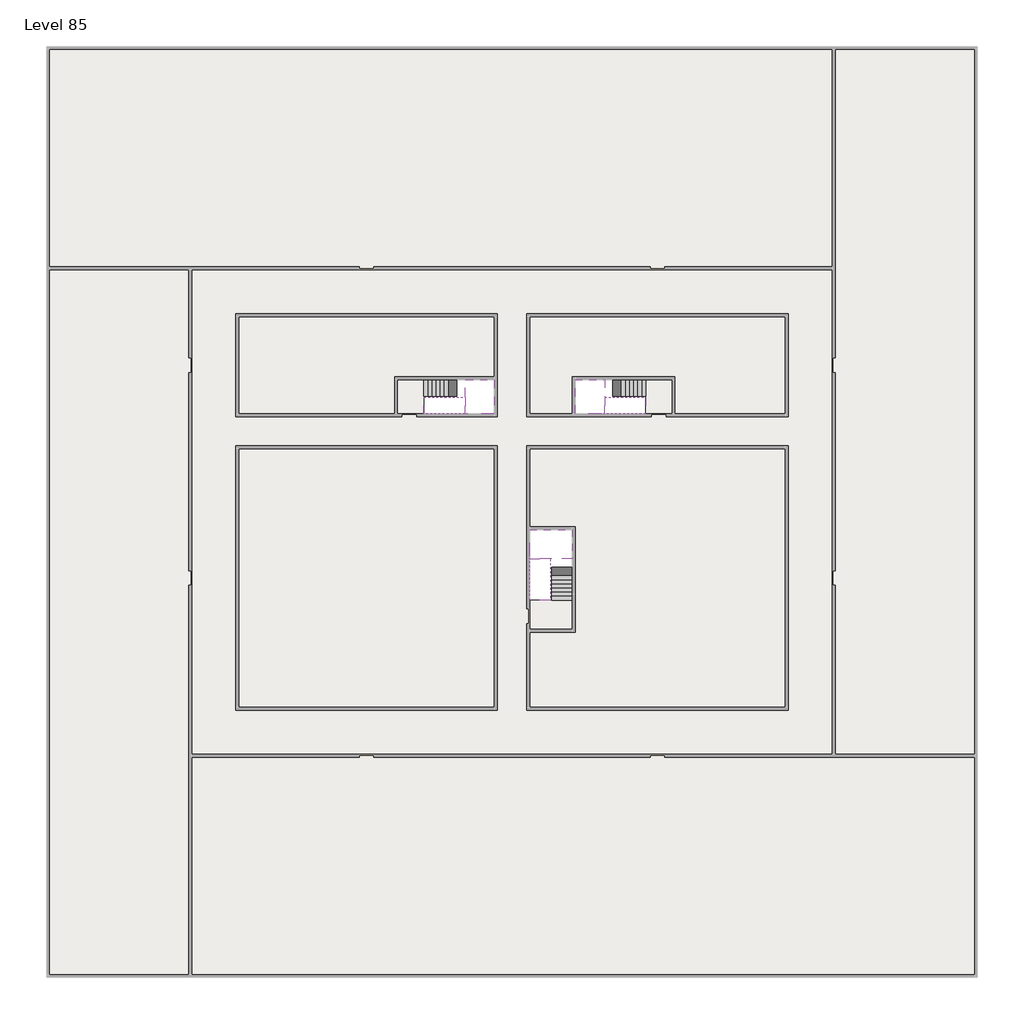
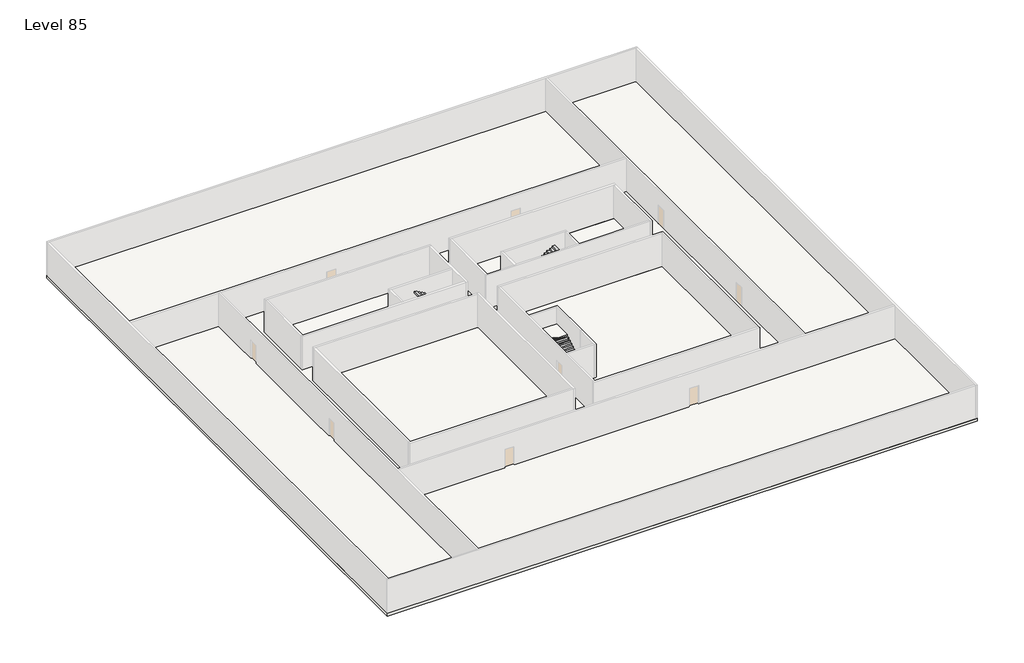
# One storey, part 2 of 2: 6 slabs, 6 stair flights.
"""IFC4 building model written with IfcOpenShell, lengths in millimetres."""

from ifc_helpers import new_model, si_unit, frame, origin, place, context, project, spatial, polyline, outline, extrude, faceted_brep, element, save

model = new_model("IFC4")

# Units and contexts
model_context = context("Model", 3, world=origin())
ifc_project = project(units=[si_unit("LENGTHUNIT", "METRE", prefix="MILLI")], contexts=[model_context])

# Site, building, storey
site = spatial("IfcSite", under=ifc_project)
building = spatial("IfcBuilding", under=site)
storey = spatial("IfcBuildingStorey", under=building, Name="Level 85", Elevation=319200.0)

# Slabs
placement = place(None, origin())
element("IfcSlab", 1, at=placement, inside=storey, context=model_context, shape_type="SweptSolid", body=[
    extrude(outline(polyline([(55890.1058784, -5518.09644), (55890.1058784, -68918.09644), (-7509.8941216, -68918.09644), (-7509.8941216, -5518.09644), (55890.1058784, -5518.09644)]), holes=[polyline([(22990.1058784, -23918.09644), (5590.1058784, -23918.09644), (5590.1058784, -30518.09644), (22990.1058784, -30518.09644), (22990.1058784, -23918.09644)]), polyline([(42990.1058784, -23918.09644), (25390.1058784, -23918.09644), (25390.1058784, -30518.09644), (42990.1058784, -30518.09644), (42990.1058784, -23918.09644)]), polyline([(25390.1058784, -50518.09644), (42790.1058784, -50518.09644), (42790.1058784, -32918.09644), (25390.1058784, -32918.09644), (25390.1058784, -50518.09644)]), polyline([(22990.1058784, -32918.09644), (5590.1058784, -32918.09644), (5590.1058784, -50518.09644), (22990.1058784, -50518.09644), (22990.1058784, -32918.09644)])]), frame((0.0, 0.0, 318900.0), z_axis=(0.0, 0.0, 1.0), x_axis=(1.0, 0.0, 0.0)), (0.0, 0.0, 1.0), 300.0),
])
element("IfcSlab", 2, at=placement, inside=storey, context=model_context, shape_type="SweptSolid", body=[
    extrude(outline(polyline([(22990.1058784, -23918.09644), (22990.1058784, -28018.09644), (16190.1058784, -28018.09644), (16190.1058784, -30518.09644), (5590.1058784, -30518.09644), (5590.1058784, -23918.09644), (22990.1058784, -23918.09644)])), frame((0.0, 0.0, 318900.0), z_axis=(0.0, 0.0, 1.0), x_axis=(1.0, 0.0, 0.0)), (0.0, 0.0, 1.0), 300.0),
    extrude(outline(polyline([(42790.1058784, -23918.09644), (42790.1058784, -30518.09644), (35290.1058784, -30518.09644), (35290.1058784, -28018.09644), (28490.1058784, -28018.09644), (28490.1058784, -30518.09644), (25390.1058784, -30518.09644), (25390.1058784, -23918.09644), (42790.1058784, -23918.09644)])), frame((0.0, 0.0, 318900.0), z_axis=(0.0, 0.0, 1.0), x_axis=(1.0, 0.0, 0.0)), (0.0, 0.0, 1.0), 300.0),
    extrude(outline(polyline([(22990.1058784, -32918.09644), (22990.1058784, -50518.09644), (5590.1058784, -50518.09644), (5590.1058784, -32918.09644), (22990.1058784, -32918.09644)])), frame((0.0, 0.0, 318900.0), z_axis=(0.0, 0.0, 1.0), x_axis=(1.0, 0.0, 0.0)), (0.0, 0.0, 1.0), 300.0),
    extrude(outline(polyline([(25390.1058784, -38218.09644), (25390.1058784, -32918.09644), (42790.1058784, -32918.09644), (42790.1058784, -50518.09644), (25390.1058784, -50518.09644), (25390.1058784, -45418.09644), (28490.1058784, -45418.09644), (28490.1058784, -38218.09644), (25390.1058784, -38218.09644)])), frame((0.0, 0.0, 318900.0), z_axis=(0.0, 0.0, 1.0), x_axis=(1.0, 0.0, 0.0)), (0.0, 0.0, 1.0), 300.0),
])
element("IfcSlab", 3, at=placement, inside=storey, context=model_context, shape_type="Brep", body=[
    faceted_brep([(26890.1058784, -40418.09644, 321100.0), (28290.1058784, -40418.09644, 321100.0), (28290.1058784, -40338.7100038, 321100.0), (28290.1058784, -38418.09644, 321100.0), (25390.1058784, -38418.09644, 321100.0), (25390.1058784, -40217.4828763, 321100.0), (25390.1058784, -40418.09644, 321100.0), (26790.1058784, -40418.09644, 321100.0), (26890.1058784, -40418.09644, 320800.0), (26890.1058784, -40418.09644, 320751.0278478), (28290.1058784, -40418.09644, 320751.0278478), (28290.1058784, -40418.09644, 320927.2727273), (28290.1058784, -40338.7100038, 320800.0), (28290.1058784, -38418.09644, 320800.0), (25390.1058784, -38418.09644, 320800.0), (25390.1058784, -40217.4828763, 320800.0), (25390.1058784, -40418.09644, 320923.7551205), (26790.1058784, -40418.09644, 320923.7551205), (26790.1058784, -40418.09644, 320800.0), (26790.1058784, -40217.4828763, 320800.0), (26890.1058784, -40338.7100038, 320800.0)], [[[0, 1, 2, 3, 4, 5, 6, 7]], [[1, 0, 8, 9, 10, 11]], [[1, 11, 10, 12, 13, 3, 2]], [[4, 3, 13, 14]], [[4, 14, 15, 16, 6, 5]], [[7, 6, 16, 17]], [[0, 7, 17, 18, 8]], [[18, 19, 15, 14, 13, 12, 20, 8]], [[19, 18, 17]], [[20, 12, 10, 9]], [[8, 20, 9]], [[15, 19, 17, 16]]]),
])
element("IfcSlab", 4, at=placement, inside=storey, context=model_context, shape_type="Brep", body=[
    faceted_brep([(20990.1058784, -28218.09644, 321100.0), (20990.1058784, -29318.09644, 321100.0), (20990.1058784, -29418.09644, 321100.0), (20990.1058784, -30518.09644, 321100.0), (21190.7194421, -30518.09644, 321100.0), (22990.1058784, -30518.09644, 321100.0), (22990.1058784, -28218.09644, 321100.0), (21069.4923146, -28218.09644, 321100.0), (20990.1058784, -28218.09644, 320927.2727273), (20990.1058784, -28218.09644, 320751.0278478), (20990.1058784, -29318.09644, 320751.0278478), (20990.1058784, -29318.09644, 320800.0), (20990.1058784, -29418.09644, 320800.0), (20990.1058784, -29418.09644, 320923.7551205), (20990.1058784, -30518.09644, 320923.7551205), (21190.7194421, -30518.09644, 320800.0), (22990.1058784, -30518.09644, 320800.0), (22990.1058784, -28218.09644, 320800.0), (21069.4923146, -28218.09644, 320800.0), (21190.7194421, -29418.09644, 320800.0), (21069.4923146, -29318.09644, 320800.0)], [[[0, 1, 2, 3, 4, 5, 6, 7]], [[1, 0, 8, 9, 10, 11]], [[2, 1, 11, 12, 13]], [[3, 2, 13, 14]], [[3, 14, 15, 16, 5, 4]], [[6, 5, 16, 17]], [[9, 8, 0, 7, 6, 17, 18]], [[19, 12, 11, 20, 18, 17, 16, 15]], [[12, 19, 13]], [[18, 20, 10, 9]], [[20, 11, 10]], [[19, 15, 14, 13]]]),
])
element("IfcSlab", 5, at=placement, inside=storey, context=model_context, shape_type="Brep", body=[
    faceted_brep([(30490.1058784, -29318.09644, 321100.0), (30490.1058784, -28218.09644, 321100.0), (30410.7194421, -28218.09644, 321100.0), (28490.1058784, -28218.09644, 321100.0), (28490.1058784, -30518.09644, 321100.0), (30289.4923146, -30518.09644, 321100.0), (30490.1058784, -30518.09644, 321100.0), (30490.1058784, -29418.09644, 321100.0), (30490.1058784, -29318.09644, 320800.0), (30490.1058784, -29318.09644, 320751.0278478), (30490.1058784, -28218.09644, 320751.0278478), (30490.1058784, -28218.09644, 320927.2727273), (30490.1058784, -29418.09644, 320923.7551205), (30490.1058784, -29418.09644, 320800.0), (30490.1058784, -30518.09644, 320923.7551205), (28490.1058784, -30518.09644, 320800.0), (30289.4923146, -30518.09644, 320800.0), (28490.1058784, -28218.09644, 320800.0), (30410.7194421, -28218.09644, 320800.0), (30289.4923146, -29418.09644, 320800.0), (30410.7194421, -29318.09644, 320800.0)], [[[0, 1, 2, 3, 4, 5, 6, 7]], [[1, 0, 8, 9, 10, 11]], [[0, 7, 12, 13, 8]], [[7, 6, 14, 12]], [[4, 15, 16, 14, 6, 5]], [[4, 3, 17, 15]], [[1, 11, 10, 18, 17, 3, 2]], [[13, 19, 16, 15, 17, 18, 20, 8]], [[20, 18, 10, 9]], [[8, 20, 9]], [[16, 19, 12, 14]], [[19, 13, 12]]]),
])
element("IfcSlab", 6, at=placement, inside=storey, context=model_context, shape_type="SweptSolid", body=[
    extrude(outline(polyline([(35090.1058784, -28218.09644), (35090.1058784, -30518.09644), (33290.1058784, -30518.09644), (33290.1058784, -28218.09644), (35090.1058784, -28218.09644)])), frame((0.0, 0.0, 318900.0), z_axis=(0.0, 0.0, 1.0), x_axis=(1.0, 0.0, 0.0)), (0.0, 0.0, 1.0), 300.0),
    extrude(outline(polyline([(18190.1058784, -28218.09644), (18190.1058784, -30518.09644), (16390.1058784, -30518.09644), (16390.1058784, -28218.09644), (18190.1058784, -28218.09644)])), frame((0.0, 0.0, 318900.0), z_axis=(0.0, 0.0, 1.0), x_axis=(1.0, 0.0, 0.0)), (0.0, 0.0, 1.0), 300.0),
    extrude(outline(polyline([(28290.1058784, -43218.09644), (28290.1058784, -45218.09644), (25390.1058784, -45218.09644), (25390.1058784, -43218.09644), (28290.1058784, -43218.09644)])), frame((0.0, 0.0, 318900.0), z_axis=(0.0, 0.0, 1.0), x_axis=(1.0, 0.0, 0.0)), (0.0, 0.0, 1.0), 300.0),
])

# Stair flights
element("IfcStairFlight", 7, at=placement, inside=storey, context=model_context, shape_type="Brep", body=[
    faceted_brep([(26890.1058784, -42938.09644, 319372.7272727), (26890.1058784, -43218.09644, 319372.7272727), (28290.1058784, -43218.09644, 319372.7272727), (28290.1058784, -42938.09644, 319372.7272727), (26890.1058784, -42938.09644, 319200.0), (26890.1058784, -43218.09644, 319200.0), (28290.1058784, -43218.09644, 319200.0), (28290.1058784, -42938.09644, 319200.0), (26890.1058784, -42658.09644, 319545.4545455), (26890.1058784, -42938.09644, 319545.4545455), (28290.1058784, -42938.09644, 319545.4545455), (28290.1058784, -42658.09644, 319545.4545455), (26890.1058784, -42658.09644, 319369.209666), (26890.1058784, -42932.3942143, 319200.0), (28290.1058784, -42932.3942143, 319200.0), (28290.1058784, -42658.09644, 319369.209666), (26890.1058784, -42378.09644, 319718.1818182), (26890.1058784, -42658.09644, 319718.1818182), (28290.1058784, -42658.09644, 319718.1818182), (28290.1058784, -42378.09644, 319718.1818182), (26890.1058784, -42378.09644, 319541.9369387), (28290.1058784, -42378.09644, 319541.9369387), (26890.1058784, -42098.09644, 319890.9090909), (26890.1058784, -42378.09644, 319890.9090909), (28290.1058784, -42378.09644, 319890.9090909), (28290.1058784, -42098.09644, 319890.9090909), (26890.1058784, -42098.09644, 319714.6642114), (28290.1058784, -42098.09644, 319714.6642114), (26890.1058784, -41818.09644, 320063.6363636), (26890.1058784, -42098.09644, 320063.6363636), (28290.1058784, -42098.09644, 320063.6363636), (28290.1058784, -41818.09644, 320063.6363636), (26890.1058784, -41818.09644, 319887.3914841), (28290.1058784, -41818.09644, 319887.3914841), (26890.1058784, -41538.09644, 320236.3636364), (26890.1058784, -41818.09644, 320236.3636364), (28290.1058784, -41818.09644, 320236.3636364), (28290.1058784, -41538.09644, 320236.3636364), (26890.1058784, -41538.09644, 320060.1187569), (28290.1058784, -41538.09644, 320060.1187569), (26890.1058784, -41258.09644, 320409.0909091), (26890.1058784, -41538.09644, 320409.0909091), (28290.1058784, -41538.09644, 320409.0909091), (28290.1058784, -41258.09644, 320409.0909091), (26890.1058784, -41258.09644, 320232.8460296), (28290.1058784, -41258.09644, 320232.8460296), (26890.1058784, -40978.09644, 320581.8181818), (26890.1058784, -41258.09644, 320581.8181818), (28290.1058784, -41258.09644, 320581.8181818), (28290.1058784, -40978.09644, 320581.8181818), (26890.1058784, -40978.09644, 320405.5733023), (28290.1058784, -40978.09644, 320405.5733023), (26890.1058784, -40698.09644, 320754.5454545), (26890.1058784, -40978.09644, 320754.5454545), (28290.1058784, -40978.09644, 320754.5454545), (28290.1058784, -40698.09644, 320754.5454545), (26890.1058784, -40698.09644, 320578.3005751), (28290.1058784, -40698.09644, 320578.3005751), (26890.1058784, -40418.09644, 320927.2727273), (26890.1058784, -40698.09644, 320927.2727273), (28290.1058784, -40698.09644, 320927.2727273), (28290.1058784, -40418.09644, 320927.2727273), (26890.1058784, -40418.09644, 320800.0), (26890.1058784, -40418.09644, 320751.0278478), (28290.1058784, -40418.09644, 320751.0278478)], [[[0, 1, 2, 3]], [[1, 0, 4, 5]], [[2, 1, 5, 6]], [[3, 2, 6, 7]], [[8, 9, 10, 11]], [[4, 0, 9, 8, 12, 13]], [[0, 3, 10, 9]], [[3, 7, 14, 15, 11, 10]], [[16, 17, 18, 19]], [[17, 16, 20, 12, 8]], [[8, 11, 18, 17]], [[19, 18, 11, 15, 21]], [[22, 23, 24, 25]], [[23, 22, 26, 20, 16]], [[16, 19, 24, 23]], [[25, 24, 19, 21, 27]], [[28, 29, 30, 31]], [[29, 28, 32, 26, 22]], [[22, 25, 30, 29]], [[31, 30, 25, 27, 33]], [[34, 35, 36, 37]], [[35, 34, 38, 32, 28]], [[28, 31, 36, 35]], [[37, 36, 31, 33, 39]], [[40, 41, 42, 43]], [[41, 40, 44, 38, 34]], [[34, 37, 42, 41]], [[43, 42, 37, 39, 45]], [[46, 47, 48, 49]], [[47, 46, 50, 44, 40]], [[40, 43, 48, 47]], [[49, 48, 43, 45, 51]], [[52, 53, 54, 55]], [[53, 52, 56, 50, 46]], [[46, 49, 54, 53]], [[55, 54, 49, 51, 57]], [[58, 59, 60, 61]], [[59, 58, 62, 63, 56, 52]], [[52, 55, 60, 59]], [[61, 60, 55, 57, 64]], [[58, 61, 64, 63, 62]], [[5, 4, 13, 14, 7, 6]], [[14, 13, 12, 20, 26, 32, 38, 44, 50, 56, 63, 64, 57, 51, 45, 39, 33, 27, 21, 15]]]),
])
element("IfcStairFlight", 8, at=placement, inside=storey, context=model_context, shape_type="Brep", body=[
    faceted_brep([(26790.1058784, -40698.09644, 321272.7272727), (26790.1058784, -40418.09644, 321272.7272727), (25390.1058784, -40418.09644, 321272.7272727), (25390.1058784, -40698.09644, 321272.7272727), (26790.1058784, -40698.09644, 321096.4823932), (26790.1058784, -40418.09644, 320923.7551205), (25390.1058784, -40418.09644, 320923.7551205), (25390.1058784, -40418.09644, 321100.0), (25390.1058784, -40698.09644, 321096.4823932), (26790.1058784, -40978.09644, 321445.4545455), (26790.1058784, -40698.09644, 321445.4545455), (25390.1058784, -40698.09644, 321445.4545455), (25390.1058784, -40978.09644, 321445.4545455), (26790.1058784, -40978.09644, 321269.209666), (25390.1058784, -40978.09644, 321269.209666), (26790.1058784, -41258.09644, 321618.1818182), (26790.1058784, -40978.09644, 321618.1818182), (25390.1058784, -40978.09644, 321618.1818182), (25390.1058784, -41258.09644, 321618.1818182), (26790.1058784, -41258.09644, 321441.9369387), (25390.1058784, -41258.09644, 321441.9369387), (26790.1058784, -41538.09644, 321790.9090909), (26790.1058784, -41258.09644, 321790.9090909), (25390.1058784, -41258.09644, 321790.9090909), (25390.1058784, -41538.09644, 321790.9090909), (26790.1058784, -41538.09644, 321614.6642114), (25390.1058784, -41538.09644, 321614.6642114), (26790.1058784, -41818.09644, 321963.6363636), (26790.1058784, -41538.09644, 321963.6363636), (25390.1058784, -41538.09644, 321963.6363636), (25390.1058784, -41818.09644, 321963.6363636), (26790.1058784, -41818.09644, 321787.3914841), (25390.1058784, -41818.09644, 321787.3914841), (26790.1058784, -42098.09644, 322136.3636364), (26790.1058784, -41818.09644, 322136.3636364), (25390.1058784, -41818.09644, 322136.3636364), (25390.1058784, -42098.09644, 322136.3636364), (26790.1058784, -42098.09644, 321960.1187569), (25390.1058784, -42098.09644, 321960.1187569), (26790.1058784, -42378.09644, 322309.0909091), (26790.1058784, -42098.09644, 322309.0909091), (25390.1058784, -42098.09644, 322309.0909091), (25390.1058784, -42378.09644, 322309.0909091), (26790.1058784, -42378.09644, 322132.8460296), (25390.1058784, -42378.09644, 322132.8460296), (26790.1058784, -42658.09644, 322481.8181818), (26790.1058784, -42378.09644, 322481.8181818), (25390.1058784, -42378.09644, 322481.8181818), (25390.1058784, -42658.09644, 322481.8181818), (26790.1058784, -42658.09644, 322305.5733023), (25390.1058784, -42658.09644, 322305.5733023), (26790.1058784, -42938.09644, 322654.5454545), (26790.1058784, -42658.09644, 322654.5454545), (25390.1058784, -42658.09644, 322654.5454545), (25390.1058784, -42938.09644, 322654.5454545), (26790.1058784, -42938.09644, 322478.3005751), (25390.1058784, -42938.09644, 322478.3005751), (26790.1058784, -43218.09644, 322827.2727273), (26790.1058784, -42938.09644, 322827.2727273), (25390.1058784, -42938.09644, 322827.2727273), (25390.1058784, -43218.09644, 322827.2727273), (26790.1058784, -43218.09644, 322651.0278478), (25390.1058784, -43218.09644, 322651.0278478)], [[[0, 1, 2, 3]], [[1, 0, 4, 5]], [[2, 1, 5, 6, 7]], [[3, 2, 7, 6, 8]], [[9, 10, 11, 12]], [[10, 9, 13, 4, 0]], [[11, 10, 0, 3]], [[12, 11, 3, 8, 14]], [[15, 16, 17, 18]], [[16, 15, 19, 13, 9]], [[17, 16, 9, 12]], [[18, 17, 12, 14, 20]], [[21, 22, 23, 24]], [[22, 21, 25, 19, 15]], [[23, 22, 15, 18]], [[24, 23, 18, 20, 26]], [[27, 28, 29, 30]], [[28, 27, 31, 25, 21]], [[29, 28, 21, 24]], [[30, 29, 24, 26, 32]], [[33, 34, 35, 36]], [[34, 33, 37, 31, 27]], [[35, 34, 27, 30]], [[36, 35, 30, 32, 38]], [[39, 40, 41, 42]], [[40, 39, 43, 37, 33]], [[41, 40, 33, 36]], [[42, 41, 36, 38, 44]], [[45, 46, 47, 48]], [[46, 45, 49, 43, 39]], [[47, 46, 39, 42]], [[48, 47, 42, 44, 50]], [[51, 52, 53, 54]], [[52, 51, 55, 49, 45]], [[53, 52, 45, 48]], [[54, 53, 48, 50, 56]], [[57, 58, 59, 60]], [[58, 57, 61, 55, 51]], [[59, 58, 51, 54]], [[60, 59, 54, 56, 62]], [[57, 60, 62, 61]], [[5, 4, 13, 19, 25, 31, 37, 43, 49, 55, 61, 62, 56, 50, 44, 38, 32, 26, 20, 14, 8, 6]]]),
])
element("IfcStairFlight", 9, at=placement, inside=storey, context=model_context, shape_type="Brep", body=[
    faceted_brep([(18470.1058784, -28218.09644, 319372.7272727), (18190.1058784, -28218.09644, 319372.7272727), (18190.1058784, -29318.09644, 319372.7272727), (18470.1058784, -29318.09644, 319372.7272727), (18470.1058784, -28218.09644, 319200.0), (18190.1058784, -28218.09644, 319200.0), (18190.1058784, -29318.09644, 319200.0), (18470.1058784, -29318.09644, 319200.0), (18750.1058784, -28218.09644, 319545.4545455), (18470.1058784, -28218.09644, 319545.4545455), (18470.1058784, -29318.09644, 319545.4545455), (18750.1058784, -29318.09644, 319545.4545455), (18750.1058784, -28218.09644, 319369.209666), (18475.8081041, -28218.09644, 319200.0), (18475.8081041, -29318.09644, 319200.0), (18750.1058784, -29318.09644, 319369.209666), (19030.1058784, -28218.09644, 319718.1818182), (18750.1058784, -28218.09644, 319718.1818182), (18750.1058784, -29318.09644, 319718.1818182), (19030.1058784, -29318.09644, 319718.1818182), (19030.1058784, -28218.09644, 319541.9369387), (19030.1058784, -29318.09644, 319541.9369387), (19310.1058784, -28218.09644, 319890.9090909), (19030.1058784, -28218.09644, 319890.9090909), (19030.1058784, -29318.09644, 319890.9090909), (19310.1058784, -29318.09644, 319890.9090909), (19310.1058784, -28218.09644, 319714.6642114), (19310.1058784, -29318.09644, 319714.6642114), (19590.1058784, -28218.09644, 320063.6363636), (19310.1058784, -28218.09644, 320063.6363636), (19310.1058784, -29318.09644, 320063.6363636), (19590.1058784, -29318.09644, 320063.6363636), (19590.1058784, -28218.09644, 319887.3914841), (19590.1058784, -29318.09644, 319887.3914841), (19870.1058784, -28218.09644, 320236.3636364), (19590.1058784, -28218.09644, 320236.3636364), (19590.1058784, -29318.09644, 320236.3636364), (19870.1058784, -29318.09644, 320236.3636364), (19870.1058784, -28218.09644, 320060.1187569), (19870.1058784, -29318.09644, 320060.1187569), (20150.1058784, -28218.09644, 320409.0909091), (19870.1058784, -28218.09644, 320409.0909091), (19870.1058784, -29318.09644, 320409.0909091), (20150.1058784, -29318.09644, 320409.0909091), (20150.1058784, -28218.09644, 320232.8460296), (20150.1058784, -29318.09644, 320232.8460296), (20430.1058784, -28218.09644, 320581.8181818), (20150.1058784, -28218.09644, 320581.8181818), (20150.1058784, -29318.09644, 320581.8181818), (20430.1058784, -29318.09644, 320581.8181818), (20430.1058784, -28218.09644, 320405.5733023), (20430.1058784, -29318.09644, 320405.5733023), (20710.1058784, -28218.09644, 320754.5454545), (20430.1058784, -28218.09644, 320754.5454545), (20430.1058784, -29318.09644, 320754.5454545), (20710.1058784, -29318.09644, 320754.5454545), (20710.1058784, -28218.09644, 320578.3005751), (20710.1058784, -29318.09644, 320578.3005751), (20990.1058784, -28218.09644, 320927.2727273), (20710.1058784, -28218.09644, 320927.2727273), (20710.1058784, -29318.09644, 320927.2727273), (20990.1058784, -29318.09644, 320927.2727273), (20990.1058784, -28218.09644, 320751.0278478), (20990.1058784, -29318.09644, 320751.0278478), (20990.1058784, -29318.09644, 320800.0)], [[[0, 1, 2, 3]], [[1, 0, 4, 5]], [[2, 1, 5, 6]], [[3, 2, 6, 7]], [[8, 9, 10, 11]], [[4, 0, 9, 8, 12, 13]], [[0, 3, 10, 9]], [[3, 7, 14, 15, 11, 10]], [[16, 17, 18, 19]], [[17, 16, 20, 12, 8]], [[8, 11, 18, 17]], [[19, 18, 11, 15, 21]], [[22, 23, 24, 25]], [[23, 22, 26, 20, 16]], [[16, 19, 24, 23]], [[25, 24, 19, 21, 27]], [[28, 29, 30, 31]], [[29, 28, 32, 26, 22]], [[22, 25, 30, 29]], [[31, 30, 25, 27, 33]], [[34, 35, 36, 37]], [[35, 34, 38, 32, 28]], [[28, 31, 36, 35]], [[37, 36, 31, 33, 39]], [[40, 41, 42, 43]], [[41, 40, 44, 38, 34]], [[34, 37, 42, 41]], [[43, 42, 37, 39, 45]], [[46, 47, 48, 49]], [[47, 46, 50, 44, 40]], [[40, 43, 48, 47]], [[49, 48, 43, 45, 51]], [[52, 53, 54, 55]], [[53, 52, 56, 50, 46]], [[46, 49, 54, 53]], [[55, 54, 49, 51, 57]], [[58, 59, 60, 61]], [[59, 58, 62, 56, 52]], [[52, 55, 60, 59]], [[61, 60, 55, 57, 63, 64]], [[58, 61, 64, 63, 62]], [[5, 4, 13, 14, 7, 6]], [[14, 13, 12, 20, 26, 32, 38, 44, 50, 56, 62, 63, 57, 51, 45, 39, 33, 27, 21, 15]]]),
])
element("IfcStairFlight", 10, at=placement, inside=storey, context=model_context, shape_type="Brep", body=[
    faceted_brep([(20710.1058784, -30518.09644, 321272.7272727), (20990.1058784, -30518.09644, 321272.7272727), (20990.1058784, -29418.09644, 321272.7272727), (20710.1058784, -29418.09644, 321272.7272727), (20710.1058784, -30518.09644, 321096.4823932), (20990.1058784, -30518.09644, 320923.7551205), (20990.1058784, -30518.09644, 321100.0), (20990.1058784, -29418.09644, 320923.7551205), (20710.1058784, -29418.09644, 321096.4823932), (20430.1058784, -30518.09644, 321445.4545455), (20710.1058784, -30518.09644, 321445.4545455), (20710.1058784, -29418.09644, 321445.4545455), (20430.1058784, -29418.09644, 321445.4545455), (20430.1058784, -30518.09644, 321269.209666), (20430.1058784, -29418.09644, 321269.209666), (20150.1058784, -30518.09644, 321618.1818182), (20430.1058784, -30518.09644, 321618.1818182), (20430.1058784, -29418.09644, 321618.1818182), (20150.1058784, -29418.09644, 321618.1818182), (20150.1058784, -30518.09644, 321441.9369387), (20150.1058784, -29418.09644, 321441.9369387), (19870.1058784, -30518.09644, 321790.9090909), (20150.1058784, -30518.09644, 321790.9090909), (20150.1058784, -29418.09644, 321790.9090909), (19870.1058784, -29418.09644, 321790.9090909), (19870.1058784, -30518.09644, 321614.6642114), (19870.1058784, -29418.09644, 321614.6642114), (19590.1058784, -30518.09644, 321963.6363636), (19870.1058784, -30518.09644, 321963.6363636), (19870.1058784, -29418.09644, 321963.6363636), (19590.1058784, -29418.09644, 321963.6363636), (19590.1058784, -30518.09644, 321787.3914841), (19590.1058784, -29418.09644, 321787.3914841), (19310.1058784, -30518.09644, 322136.3636364), (19590.1058784, -30518.09644, 322136.3636364), (19590.1058784, -29418.09644, 322136.3636364), (19310.1058784, -29418.09644, 322136.3636364), (19310.1058784, -30518.09644, 321960.1187569), (19310.1058784, -29418.09644, 321960.1187569), (19030.1058784, -30518.09644, 322309.0909091), (19310.1058784, -30518.09644, 322309.0909091), (19310.1058784, -29418.09644, 322309.0909091), (19030.1058784, -29418.09644, 322309.0909091), (19030.1058784, -30518.09644, 322132.8460296), (19030.1058784, -29418.09644, 322132.8460296), (18750.1058784, -30518.09644, 322481.8181818), (19030.1058784, -30518.09644, 322481.8181818), (19030.1058784, -29418.09644, 322481.8181818), (18750.1058784, -29418.09644, 322481.8181818), (18750.1058784, -30518.09644, 322305.5733023), (18750.1058784, -29418.09644, 322305.5733023), (18470.1058784, -30518.09644, 322654.5454545), (18750.1058784, -30518.09644, 322654.5454545), (18750.1058784, -29418.09644, 322654.5454545), (18470.1058784, -29418.09644, 322654.5454545), (18470.1058784, -30518.09644, 322478.3005751), (18470.1058784, -29418.09644, 322478.3005751), (18190.1058784, -30518.09644, 322827.2727273), (18470.1058784, -30518.09644, 322827.2727273), (18470.1058784, -29418.09644, 322827.2727273), (18190.1058784, -29418.09644, 322827.2727273), (18190.1058784, -30518.09644, 322651.0278478), (18190.1058784, -29418.09644, 322651.0278478)], [[[0, 1, 2, 3]], [[1, 0, 4, 5, 6]], [[2, 1, 6, 5, 7]], [[3, 2, 7, 8]], [[9, 10, 11, 12]], [[10, 9, 13, 4, 0]], [[11, 10, 0, 3]], [[12, 11, 3, 8, 14]], [[15, 16, 17, 18]], [[16, 15, 19, 13, 9]], [[17, 16, 9, 12]], [[18, 17, 12, 14, 20]], [[21, 22, 23, 24]], [[22, 21, 25, 19, 15]], [[23, 22, 15, 18]], [[24, 23, 18, 20, 26]], [[27, 28, 29, 30]], [[28, 27, 31, 25, 21]], [[29, 28, 21, 24]], [[30, 29, 24, 26, 32]], [[33, 34, 35, 36]], [[34, 33, 37, 31, 27]], [[35, 34, 27, 30]], [[36, 35, 30, 32, 38]], [[39, 40, 41, 42]], [[40, 39, 43, 37, 33]], [[41, 40, 33, 36]], [[42, 41, 36, 38, 44]], [[45, 46, 47, 48]], [[46, 45, 49, 43, 39]], [[47, 46, 39, 42]], [[48, 47, 42, 44, 50]], [[51, 52, 53, 54]], [[52, 51, 55, 49, 45]], [[53, 52, 45, 48]], [[54, 53, 48, 50, 56]], [[57, 58, 59, 60]], [[58, 57, 61, 55, 51]], [[59, 58, 51, 54]], [[60, 59, 54, 56, 62]], [[57, 60, 62, 61]], [[5, 4, 13, 19, 25, 31, 37, 43, 49, 55, 61, 62, 56, 50, 44, 38, 32, 26, 20, 14, 8, 7]]]),
])
element("IfcStairFlight", 11, at=placement, inside=storey, context=model_context, shape_type="Brep", body=[
    faceted_brep([(33010.1058784, -29318.09644, 319372.7272727), (33290.1058784, -29318.09644, 319372.7272727), (33290.1058784, -28218.09644, 319372.7272727), (33010.1058784, -28218.09644, 319372.7272727), (33290.1058784, -28218.09644, 319200.0), (33010.1058784, -28218.09644, 319200.0), (33290.1058784, -29318.09644, 319200.0), (33010.1058784, -29318.09644, 319200.0), (32730.1058784, -29318.09644, 319545.4545455), (33010.1058784, -29318.09644, 319545.4545455), (33010.1058784, -28218.09644, 319545.4545455), (32730.1058784, -28218.09644, 319545.4545455), (33004.4036527, -28218.09644, 319200.0), (32730.1058784, -28218.09644, 319369.209666), (32730.1058784, -29318.09644, 319369.209666), (33004.4036527, -29318.09644, 319200.0), (32450.1058784, -29318.09644, 319718.1818182), (32730.1058784, -29318.09644, 319718.1818182), (32730.1058784, -28218.09644, 319718.1818182), (32450.1058784, -28218.09644, 319718.1818182), (32450.1058784, -28218.09644, 319541.9369387), (32450.1058784, -29318.09644, 319541.9369387), (32170.1058784, -29318.09644, 319890.9090909), (32450.1058784, -29318.09644, 319890.9090909), (32450.1058784, -28218.09644, 319890.9090909), (32170.1058784, -28218.09644, 319890.9090909), (32170.1058784, -28218.09644, 319714.6642114), (32170.1058784, -29318.09644, 319714.6642114), (31890.1058784, -29318.09644, 320063.6363636), (32170.1058784, -29318.09644, 320063.6363636), (32170.1058784, -28218.09644, 320063.6363636), (31890.1058784, -28218.09644, 320063.6363636), (31890.1058784, -28218.09644, 319887.3914841), (31890.1058784, -29318.09644, 319887.3914841), (31610.1058784, -29318.09644, 320236.3636364), (31890.1058784, -29318.09644, 320236.3636364), (31890.1058784, -28218.09644, 320236.3636364), (31610.1058784, -28218.09644, 320236.3636364), (31610.1058784, -28218.09644, 320060.1187569), (31610.1058784, -29318.09644, 320060.1187569), (31330.1058784, -29318.09644, 320409.0909091), (31610.1058784, -29318.09644, 320409.0909091), (31610.1058784, -28218.09644, 320409.0909091), (31330.1058784, -28218.09644, 320409.0909091), (31330.1058784, -28218.09644, 320232.8460296), (31330.1058784, -29318.09644, 320232.8460296), (31050.1058784, -29318.09644, 320581.8181818), (31330.1058784, -29318.09644, 320581.8181818), (31330.1058784, -28218.09644, 320581.8181818), (31050.1058784, -28218.09644, 320581.8181818), (31050.1058784, -28218.09644, 320405.5733023), (31050.1058784, -29318.09644, 320405.5733023), (30770.1058784, -29318.09644, 320754.5454545), (31050.1058784, -29318.09644, 320754.5454545), (31050.1058784, -28218.09644, 320754.5454545), (30770.1058784, -28218.09644, 320754.5454545), (30770.1058784, -28218.09644, 320578.3005751), (30770.1058784, -29318.09644, 320578.3005751), (30490.1058784, -29318.09644, 320927.2727273), (30770.1058784, -29318.09644, 320927.2727273), (30770.1058784, -28218.09644, 320927.2727273), (30490.1058784, -28218.09644, 320927.2727273), (30490.1058784, -28218.09644, 320751.0278478), (30490.1058784, -29318.09644, 320800.0), (30490.1058784, -29318.09644, 320751.0278478)], [[[0, 1, 2, 3]], [[3, 2, 4, 5]], [[2, 1, 6, 4]], [[1, 0, 7, 6]], [[8, 9, 10, 11]], [[3, 5, 12, 13, 11, 10]], [[0, 3, 10, 9]], [[7, 0, 9, 8, 14, 15]], [[16, 17, 18, 19]], [[19, 18, 11, 13, 20]], [[8, 11, 18, 17]], [[17, 16, 21, 14, 8]], [[22, 23, 24, 25]], [[25, 24, 19, 20, 26]], [[16, 19, 24, 23]], [[23, 22, 27, 21, 16]], [[28, 29, 30, 31]], [[31, 30, 25, 26, 32]], [[22, 25, 30, 29]], [[29, 28, 33, 27, 22]], [[34, 35, 36, 37]], [[37, 36, 31, 32, 38]], [[28, 31, 36, 35]], [[35, 34, 39, 33, 28]], [[40, 41, 42, 43]], [[43, 42, 37, 38, 44]], [[34, 37, 42, 41]], [[41, 40, 45, 39, 34]], [[46, 47, 48, 49]], [[49, 48, 43, 44, 50]], [[40, 43, 48, 47]], [[47, 46, 51, 45, 40]], [[52, 53, 54, 55]], [[55, 54, 49, 50, 56]], [[46, 49, 54, 53]], [[53, 52, 57, 51, 46]], [[58, 59, 60, 61]], [[61, 60, 55, 56, 62]], [[52, 55, 60, 59]], [[59, 58, 63, 64, 57, 52]], [[58, 61, 62, 64, 63]], [[6, 7, 15, 12, 5, 4]], [[12, 15, 14, 21, 27, 33, 39, 45, 51, 57, 64, 62, 56, 50, 44, 38, 32, 26, 20, 13]]]),
])
element("IfcStairFlight", 12, at=placement, inside=storey, context=model_context, shape_type="Brep", body=[
    faceted_brep([(30770.1058784, -29418.09644, 321272.7272727), (30490.1058784, -29418.09644, 321272.7272727), (30490.1058784, -30518.09644, 321272.7272727), (30770.1058784, -30518.09644, 321272.7272727), (30490.1058784, -30518.09644, 321100.0), (30490.1058784, -30518.09644, 320923.7551205), (30770.1058784, -30518.09644, 321096.4823932), (30490.1058784, -29418.09644, 320923.7551205), (30770.1058784, -29418.09644, 321096.4823932), (31050.1058784, -29418.09644, 321445.4545455), (30770.1058784, -29418.09644, 321445.4545455), (30770.1058784, -30518.09644, 321445.4545455), (31050.1058784, -30518.09644, 321445.4545455), (31050.1058784, -30518.09644, 321269.209666), (31050.1058784, -29418.09644, 321269.209666), (31330.1058784, -29418.09644, 321618.1818182), (31050.1058784, -29418.09644, 321618.1818182), (31050.1058784, -30518.09644, 321618.1818182), (31330.1058784, -30518.09644, 321618.1818182), (31330.1058784, -30518.09644, 321441.9369387), (31330.1058784, -29418.09644, 321441.9369387), (31610.1058784, -29418.09644, 321790.9090909), (31330.1058784, -29418.09644, 321790.9090909), (31330.1058784, -30518.09644, 321790.9090909), (31610.1058784, -30518.09644, 321790.9090909), (31610.1058784, -30518.09644, 321614.6642114), (31610.1058784, -29418.09644, 321614.6642114), (31890.1058784, -29418.09644, 321963.6363636), (31610.1058784, -29418.09644, 321963.6363636), (31610.1058784, -30518.09644, 321963.6363636), (31890.1058784, -30518.09644, 321963.6363636), (31890.1058784, -30518.09644, 321787.3914841), (31890.1058784, -29418.09644, 321787.3914841), (32170.1058784, -29418.09644, 322136.3636364), (31890.1058784, -29418.09644, 322136.3636364), (31890.1058784, -30518.09644, 322136.3636364), (32170.1058784, -30518.09644, 322136.3636364), (32170.1058784, -30518.09644, 321960.1187569), (32170.1058784, -29418.09644, 321960.1187569), (32450.1058784, -29418.09644, 322309.0909091), (32170.1058784, -29418.09644, 322309.0909091), (32170.1058784, -30518.09644, 322309.0909091), (32450.1058784, -30518.09644, 322309.0909091), (32450.1058784, -30518.09644, 322132.8460296), (32450.1058784, -29418.09644, 322132.8460296), (32730.1058784, -29418.09644, 322481.8181818), (32450.1058784, -29418.09644, 322481.8181818), (32450.1058784, -30518.09644, 322481.8181818), (32730.1058784, -30518.09644, 322481.8181818), (32730.1058784, -30518.09644, 322305.5733023), (32730.1058784, -29418.09644, 322305.5733023), (33010.1058784, -29418.09644, 322654.5454545), (32730.1058784, -29418.09644, 322654.5454545), (32730.1058784, -30518.09644, 322654.5454545), (33010.1058784, -30518.09644, 322654.5454545), (33010.1058784, -30518.09644, 322478.3005751), (33010.1058784, -29418.09644, 322478.3005751), (33290.1058784, -29418.09644, 322827.2727273), (33010.1058784, -29418.09644, 322827.2727273), (33010.1058784, -30518.09644, 322827.2727273), (33290.1058784, -30518.09644, 322827.2727273), (33290.1058784, -30518.09644, 322651.0278478), (33290.1058784, -29418.09644, 322651.0278478)], [[[0, 1, 2, 3]], [[3, 2, 4, 5, 6]], [[2, 1, 7, 5, 4]], [[1, 0, 8, 7]], [[9, 10, 11, 12]], [[12, 11, 3, 6, 13]], [[11, 10, 0, 3]], [[10, 9, 14, 8, 0]], [[15, 16, 17, 18]], [[18, 17, 12, 13, 19]], [[17, 16, 9, 12]], [[16, 15, 20, 14, 9]], [[21, 22, 23, 24]], [[24, 23, 18, 19, 25]], [[23, 22, 15, 18]], [[22, 21, 26, 20, 15]], [[27, 28, 29, 30]], [[30, 29, 24, 25, 31]], [[29, 28, 21, 24]], [[28, 27, 32, 26, 21]], [[33, 34, 35, 36]], [[36, 35, 30, 31, 37]], [[35, 34, 27, 30]], [[34, 33, 38, 32, 27]], [[39, 40, 41, 42]], [[42, 41, 36, 37, 43]], [[41, 40, 33, 36]], [[40, 39, 44, 38, 33]], [[45, 46, 47, 48]], [[48, 47, 42, 43, 49]], [[47, 46, 39, 42]], [[46, 45, 50, 44, 39]], [[51, 52, 53, 54]], [[54, 53, 48, 49, 55]], [[53, 52, 45, 48]], [[52, 51, 56, 50, 45]], [[57, 58, 59, 60]], [[60, 59, 54, 55, 61]], [[59, 58, 51, 54]], [[58, 57, 62, 56, 51]], [[57, 60, 61, 62]], [[7, 8, 14, 20, 26, 32, 38, 44, 50, 56, 62, 61, 55, 49, 43, 37, 31, 25, 19, 13, 6, 5]]]),
])

save(model, "model.ifc")
